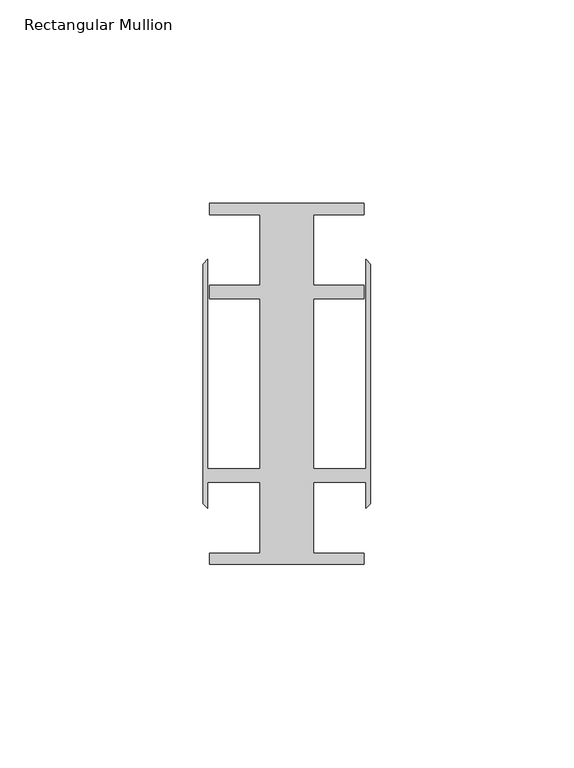
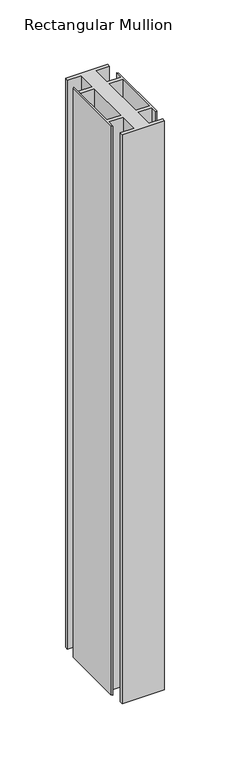
"""IFC4 building model written with IfcOpenShell, lengths in millimetres: member geometry, Rectangular Mullion."""

import ifcopenshell
import ifcopenshell.guid

model = None  # the IFC model being written
_history = None  # IfcOwnerHistory: only IFC2X3 demands one
_inside = {}  # id of a spatial element -> (the spatial element, [elements in it])
_under = {}  # id of a project, library or spatial element -> (it, [spatial elements below it])
_declared = {}  # id of a project -> (the project, [libraries it declares])
_typed = {}  # id of a type object -> (the type object, [elements of that type])
_made_of = {}  # id of a material, layer set ... -> (it, [elements and type objects made of it])


def new_model(schema):
    """Start an empty IFC model of exactly this schema.

    Asked for "IFC4X3", IfcOpenShell would pick the latest addendum, in which some entities
    have other attributes; the version numbers below select the first issue.
    IFC2X3 requires an IfcOwnerHistory on every rooted entity: one is made here for all.
    """
    global model, _history
    if schema == "IFC4X3":
        model = ifcopenshell.file(schema_version=(4, 3, 0, 0))
    else:
        model = ifcopenshell.file(schema=schema)
    _inside.clear()
    _under.clear()
    _declared.clear()
    _typed.clear()
    _made_of.clear()
    _history = None
    if model.schema == "IFC2X3":
        org = make("IfcOrganization", Name="unknown")
        user = make(
            "IfcPersonAndOrganization",
            ThePerson=make("IfcPerson", FamilyName="unknown"),
            TheOrganization=org,
        )
        app = make(
            "IfcApplication",
            ApplicationDeveloper=org,
            Version="unknown",
            ApplicationFullName="unknown",
            ApplicationIdentifier="unknown",
        )
        _history = make(
            "IfcOwnerHistory",
            OwningUser=user,
            OwningApplication=app,
            ChangeAction="ADDED",
            CreationDate=0,
        )
    return model


def make(cls, **values):
    """One entity of the class cls with the attributes given. An attribute that is None is left unset."""
    return model.create_entity(
        cls, **{name: value for name, value in values.items() if value is not None}
    )


def rooted(cls, **values):
    """An entity with a GlobalId (a new one), such as an element, a storey or a relation."""
    return make(cls, GlobalId=ifcopenshell.guid.new(), OwnerHistory=_history, **values)


def si_unit(unit_type, name, prefix=None):
    """IfcSIUnit, for example si_unit("LENGTHUNIT", "METRE", prefix="MILLI")."""
    return make("IfcSIUnit", UnitType=unit_type, Prefix=prefix, Name=name)


def assignment(units):
    """IfcUnitAssignment: the units of a project."""
    return None if units is None else make("IfcUnitAssignment", Units=units)


def point(xyz):
    """IfcCartesianPoint."""
    return None if xyz is None else make("IfcCartesianPoint", Coordinates=xyz)


def direction(xyz):
    """IfcDirection."""
    return None if xyz is None else make("IfcDirection", DirectionRatios=xyz)


def frame(location, z_axis=None, x_axis=None):
    """IfcAxis2Placement3D, a coordinate frame: its origin and axes. An axis left out is left unset."""
    return make(
        "IfcAxis2Placement3D",
        Location=point(location),
        Axis=direction(z_axis),
        RefDirection=direction(x_axis),
    )


def origin():
    """The frame at (0, 0, 0) with its axes left unset."""
    return frame((0.0, 0.0, 0.0))


def place(relative_to, where):
    """IfcLocalPlacement: puts the frame where relative to a parent placement (None: the world)."""
    return make(
        "IfcLocalPlacement", PlacementRelTo=relative_to, RelativePlacement=where
    )


def context(
    kind, dimensions, precision=None, world=None, true_north=None, identifier=None
):
    """IfcGeometricRepresentationContext, for example the 3D "Model" context."""
    return make(
        "IfcGeometricRepresentationContext",
        ContextIdentifier=identifier,
        ContextType=kind,
        CoordinateSpaceDimension=dimensions,
        Precision=precision,
        WorldCoordinateSystem=world,
        TrueNorth=true_north,
    )


def project(units=None, contexts=None):
    """IfcProject with its units and contexts."""
    return rooted(
        "IfcProject",
        Name="project",
        RepresentationContexts=contexts,
        UnitsInContext=assignment(units),
    )


def spatial(cls, under=None, at=None, **own):
    """A site, building, storey or space (cls), placed at a placement, below another one or the project."""
    s = rooted(cls, ObjectPlacement=at, **own)
    if under is not None:
        _under.setdefault(under.id(), (under, []))[1].append(s)
    return s


def polyline(points):
    """IfcPolyline through the points."""
    return make("IfcPolyline", Points=[point(p) for p in points])


def outline(outer, holes=None, kind="AREA"):
    """IfcArbitraryClosedProfileDef: a profile drawn as a closed curve; with holes, ...WithVoids."""
    if holes is None:
        return make("IfcArbitraryClosedProfileDef", ProfileType=kind, OuterCurve=outer)
    return make(
        "IfcArbitraryProfileDefWithVoids",
        ProfileType=kind,
        OuterCurve=outer,
        InnerCurves=holes,
    )


def extrude(swept, where, along, depth):
    """IfcExtrudedAreaSolid: the profile swept, set in the frame where, extruded along a direction by depth."""
    return make(
        "IfcExtrudedAreaSolid",
        SweptArea=swept,
        Position=where,
        ExtrudedDirection=direction(along),
        Depth=depth,
    )


def shape(context_of_items, identifier, shape_type, items):
    """IfcShapeRepresentation: the items that make up one representation, for example the "Body"."""
    return make(
        "IfcShapeRepresentation",
        ContextOfItems=context_of_items,
        RepresentationIdentifier=identifier,
        RepresentationType=shape_type,
        Items=items,
    )


def source(mapping_origin, context_of_items, identifier, shape_type, items):
    """IfcRepresentationMap: a shape defined once, which mapped items show again and again."""
    return make(
        "IfcRepresentationMap",
        MappingOrigin=mapping_origin,
        MappedRepresentation=shape(context_of_items, identifier, shape_type, items),
    )


def transform(
    local_origin,
    x_axis=None,
    y_axis=None,
    z_axis=None,
    scale=None,
    scale2=None,
    scale3=None,
    uniform=True,
):
    """IfcCartesianTransformationOperator3D, or its non-uniform kind. x_axis, y_axis, z_axis: its Axis1, 2, 3."""
    if uniform:
        return make(
            "IfcCartesianTransformationOperator3D",
            Axis1=direction(x_axis),
            Axis2=direction(y_axis),
            LocalOrigin=point(local_origin),
            Scale=scale,
            Axis3=direction(z_axis),
        )
    return make(
        "IfcCartesianTransformationOperator3DnonUniform",
        Axis1=direction(x_axis),
        Axis2=direction(y_axis),
        LocalOrigin=point(local_origin),
        Scale=scale,
        Axis3=direction(z_axis),
        Scale2=scale2,
        Scale3=scale3,
    )


def mapped(mapping_source, mapping_target):
    """IfcMappedItem: shows the shape of a source again, moved by a transform."""
    return make(
        "IfcMappedItem", MappingSource=mapping_source, MappingTarget=mapping_target
    )


def made_of(thing, what):
    """Note that an element or type object is made of a material, layer set ...; save() writes the relation."""
    if what is not None:
        _made_of.setdefault(what.id(), (what, []))[1].append(thing)
    return thing


def element(
    cls,
    number,
    at=None,
    inside=None,
    cuts=None,
    type_object=None,
    material=None,
    context=None,
    identifier="Body",
    shape_type=None,
    held_by="IfcProductDefinitionShape",
    body=None,
    shapes=None,
    **own,
):
    """One element of the class cls, such as IfcWall. Its Tag is "e" and its number.

    at: its placement. inside: the storey or other place that contains it. cuts: it is an
    opening in that element (IfcRelVoidsElement). A single representation is given by context,
    identifier, shape_type and body (its items); several are given by shapes. held_by: the class
    of the entity that holds the representations. save() writes the other relations.
    """
    e = rooted(cls, Tag="e%d" % number, ObjectPlacement=at, **own)
    if body is not None:
        shapes = [shape(context, identifier, shape_type, body)]
    if shapes is not None:
        e.Representation = make(held_by, Representations=shapes)
    if inside is not None:
        _inside.setdefault(inside.id(), (inside, []))[1].append(e)
    if cuts is not None:
        rooted(
            "IfcRelVoidsElement", RelatingBuildingElement=cuts, RelatedOpeningElement=e
        )
    if type_object is not None:
        _typed.setdefault(type_object.id(), (type_object, []))[1].append(e)
    return made_of(e, material)


def aggregate(whole, parts):
    """IfcRelAggregates: a whole, such as a stair, and the parts it consists of."""
    return rooted("IfcRelAggregates", RelatingObject=whole, RelatedObjects=parts)


def save(model, path):
    """Write the relations noted so far, then the file.

    IfcRelAggregates (storeys below a building ...), IfcRelContainedInSpatialStructure (elements
    in a storey), IfcRelDefinesByType, IfcRelAssociatesMaterial and IfcRelDeclares: one each for
    every whole, place, type object, material and project.
    """
    for whole, parts in _under.values():
        aggregate(whole, parts)
    for where, things in _inside.values():
        rooted(
            "IfcRelContainedInSpatialStructure",
            RelatedElements=things,
            RelatingStructure=where,
        )
    for kind, things in _typed.values():
        rooted("IfcRelDefinesByType", RelatedObjects=things, RelatingType=kind)
    for what, things in _made_of.values():
        rooted("IfcRelAssociatesMaterial", RelatedObjects=things, RelatingMaterial=what)
    for by, libraries in _declared.values():
        rooted("IfcRelDeclares", RelatingContext=by, RelatedDefinitions=libraries)
    model.write(path)


def rectangular_mullion_b1fcc29a(model_context):
    return source(origin(), model_context, "Body", "SweptSolid", [
        extrude(outline(polyline([(6.6000002, 41.6500013), (6.6000002, 24.2500008), (19.05, 24.2500008), (19.05, 20.9500007), (6.6000002, 20.9500007), (6.6000002, -20.9500007), (19.4924102, -20.9500007), (19.4924102, 30.6159585), (20.6375, 29.4708687), (20.6375, -29.4708687), (19.4924102, -30.6159585), (19.4924102, -24.2500008), (6.6000002, -24.2500008), (6.6000002, -41.6500013), (19.05, -41.6500013), (19.05, -44.45), (-19.05, -44.45), (-19.05, -41.6500013), (-6.6000002, -41.6500013), (-6.6000002, -24.2500008), (-19.4924102, -24.2500008), (-19.4924102, -30.6159585), (-20.6375, -29.4708687), (-20.6375, 29.4708687), (-19.4924102, 30.6159585), (-19.4924102, -20.9500007), (-6.6000002, -20.9500007), (-6.6000002, 20.9500007), (-19.05, 20.9500007), (-19.05, 24.2500008), (-6.6000002, 24.2500008), (-6.6000002, 41.6500013), (-19.05, 41.6500013), (-19.05, 44.45), (19.05, 44.45), (19.05, 41.6500013), (6.6000002, 41.6500013)])), frame((0.0, 0.0, -544.5125), z_axis=(0.0, 0.0, 1.0), x_axis=(1.0, 0.0, 0.0)), (0.0, 0.0, 1.0), 544.5125),
    ])


if __name__ == "__main__":
    model = new_model("IFC4")
    model_context = context("Model", 3, world=origin())
    ifc_project = project(units=[si_unit("LENGTHUNIT", "METRE", prefix="MILLI")], contexts=[model_context])
    site = spatial("IfcSite", under=ifc_project)
    building = spatial("IfcBuilding", under=site)
    placement = place(None, origin())
    rectangular_mullion_shape = rectangular_mullion_b1fcc29a(model_context)
    element("IfcMember", 1, ObjectType="Rectangular Mullion", at=placement, inside=building, context=model_context, shape_type="MappedRepresentation", body=[
        mapped(rectangular_mullion_shape, transform((0.0, 0.0, 0.0), x_axis=(1.0, 0.0, 0.0), y_axis=(0.0, 1.0, 0.0), z_axis=(0.0, 0.0, 1.0))),
    ])
    save(model, "model.ifc")
